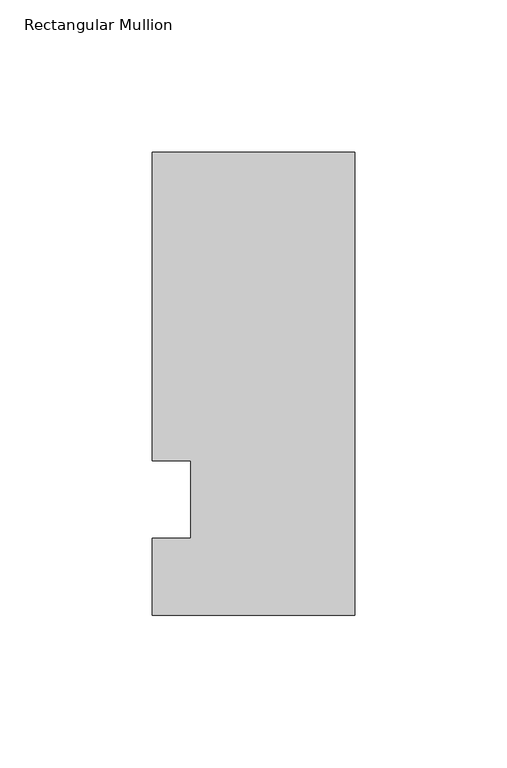
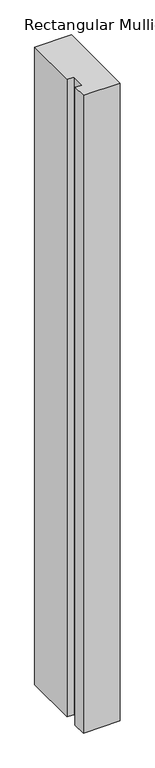
"""IFC4 building model written with IfcOpenShell, lengths in millimetres: member geometry, Rectangular Mullion."""

from ifc_helpers import new_model, si_unit, frame, origin, place, context, project, spatial, polyline, outline, extrude, source, transform, mapped, element, save


def rectangular_mullion_75ef1f9b(model_context):
    return source(origin(), model_context, "Body", "SweptSolid", [
        extrude(outline(polyline([(-66.675, 114.3), (0.0, 114.3), (0.0, -38.1), (-66.675, -38.1), (-66.675, -12.7), (-53.975, -12.7), (-53.975, 12.7), (-66.675, 12.7), (-66.675, 114.3)])), frame((0.0, 0.0, -1219.2), z_axis=(0.0, 0.0, 1.0), x_axis=(1.0, 0.0, 0.0)), (0.0, 0.0, 1.0), 1219.2),
    ])


if __name__ == "__main__":
    model = new_model("IFC4")
    model_context = context("Model", 3, world=origin())
    ifc_project = project(units=[si_unit("LENGTHUNIT", "METRE", prefix="MILLI")], contexts=[model_context])
    site = spatial("IfcSite", under=ifc_project)
    building = spatial("IfcBuilding", under=site)
    placement = place(None, origin())
    rectangular_mullion_shape = rectangular_mullion_75ef1f9b(model_context)
    element("IfcMember", 1, ObjectType="Rectangular Mullion", at=placement, inside=building, context=model_context, shape_type="MappedRepresentation", body=[
        mapped(rectangular_mullion_shape, transform((0.0, 0.0, 0.0), x_axis=(1.0, 0.0, 0.0), y_axis=(0.0, 1.0, 0.0), z_axis=(0.0, 0.0, 1.0))),
    ])
    save(model, "model.ifc")
